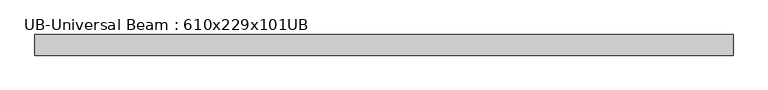
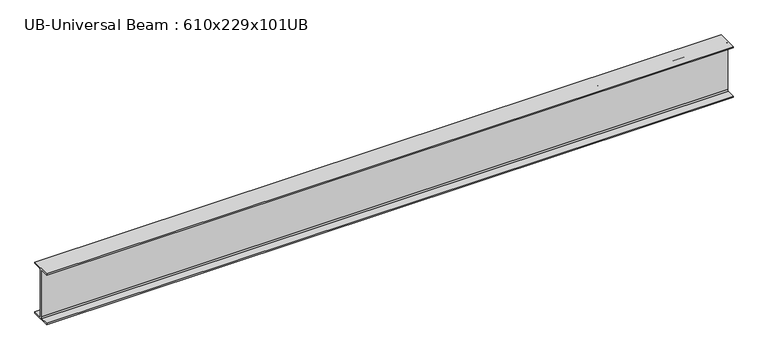
"""IFC4 building model written with IfcOpenShell, lengths in millimetres: beam geometry, UB-Universal Beam : 610x229x101UB."""

from ifc_helpers import new_model, si_unit, point, frame, frame_2d, origin, place, context, project, spatial, polyline, circle_curve, trimmed, segment, composite_curve, outline, extrude, source, transform, mapped, element, save


def ub_universal_beam_610x229x101ub_8c042eb5(model_context):
    return source(origin(), model_context, "Body", "SweptSolid", [
        extrude(outline(composite_curve([segment(polyline([(113.8, -286.5), (113.8, -301.3), (-113.8, -301.3), (-113.8, -286.5), (-17.95, -286.5)]), True, "CONTINUOUS"), segment(trimmed(circle_curve(frame_2d((-17.95, -273.8)), 12.7), [point((-17.95, -286.5))], [point((-5.25, -273.8))], True, "CARTESIAN"), True, "CONTINUOUS"), segment(polyline([(-5.25, -273.8), (-5.25, 273.8)]), True, "CONTINUOUS"), segment(trimmed(circle_curve(frame_2d((-17.95, 273.8)), 12.7), [point((-5.25, 273.8))], [point((-17.95, 286.5))], True, "CARTESIAN"), True, "CONTINUOUS"), segment(polyline([(-17.95, 286.5), (-113.8, 286.5), (-113.8, 301.3), (113.8, 301.3), (113.8, 286.5), (17.95, 286.5)]), True, "CONTINUOUS"), segment(trimmed(circle_curve(frame_2d((17.95, 273.8)), 12.7), [point((17.95, 286.5))], [point((5.25, 273.8))], True, "CARTESIAN"), True, "CONTINUOUS"), segment(polyline([(5.25, 273.8), (5.25, -273.8)]), True, "CONTINUOUS"), segment(trimmed(circle_curve(frame_2d((17.95, -273.8)), 12.7), [point((5.25, -273.8))], [point((17.95, -286.5))], True, "CARTESIAN"), True, "CONTINUOUS"), segment(polyline([(17.95, -286.5), (113.8, -286.5)]), True, "CONTINUOUS")], self_intersect=False)), frame((-3852.6775243, 0.0, 0.0), z_axis=(1.0, 0.0, 0.0), x_axis=(0.0, 1.0, 0.0)), (0.0, 0.0, 1.0), 7705.3550487),
    ])


if __name__ == "__main__":
    model = new_model("IFC4")
    model_context = context("Model", 3, world=origin())
    ifc_project = project(units=[si_unit("LENGTHUNIT", "METRE", prefix="MILLI")], contexts=[model_context])
    site = spatial("IfcSite", under=ifc_project)
    building = spatial("IfcBuilding", under=site)
    placement = place(None, origin())
    ub_universal_beam_610x229x101ub_shape = ub_universal_beam_610x229x101ub_8c042eb5(model_context)
    element("IfcBeam", 1, ObjectType="UB-Universal Beam : 610x229x101UB", at=placement, inside=building, context=model_context, shape_type="MappedRepresentation", body=[
        mapped(ub_universal_beam_610x229x101ub_shape, transform((0.0, 0.0, 0.0), x_axis=(1.0, 0.0, 0.0), y_axis=(0.0, 1.0, 0.0), z_axis=(0.0, 0.0, 1.0))),
    ])
    save(model, "model.ifc")
